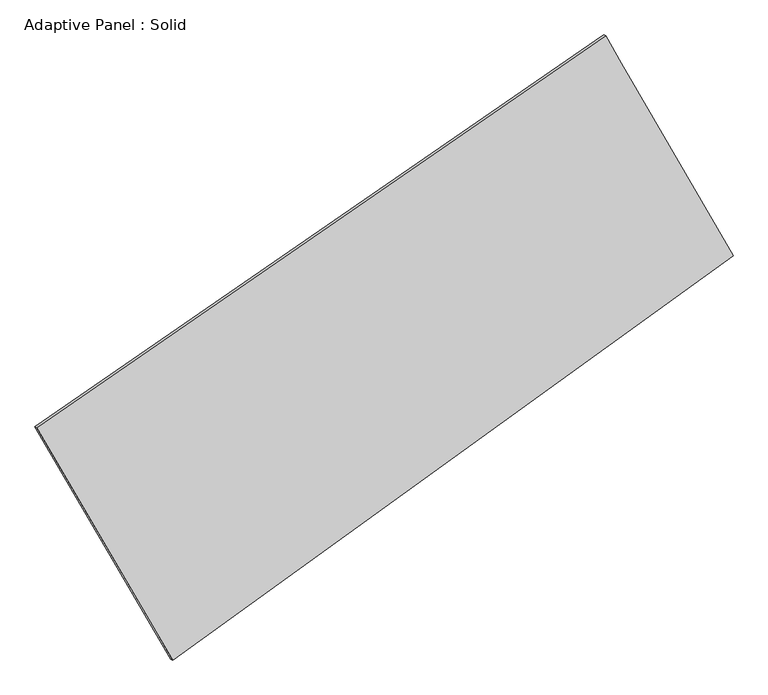
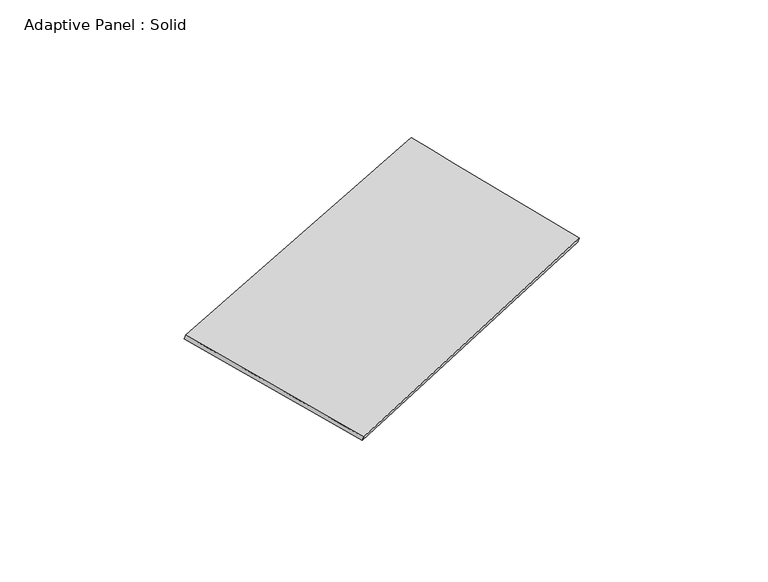
"""IFC4 building model written with IfcOpenShell, lengths in millimetres: plate geometry, Adaptive Panel : Solid."""

from ifc_helpers import new_model, si_unit, frame, origin, place, context, project, spatial, source, transform, mapped, element, save
from ifc_brep_helpers import plane_surface, spline_surface, advanced_brep


def adaptive_panel_solid_c119dc02(model_context):
    return source(origin(), model_context, "Body", "AdvancedBrep", [
        advanced_brep(
        [(1183.6687946, 2494.2272886, 667.0458015), (-3591.356901, -795.3727081, 1674.4025798), (-3576.6905452, -801.7528016, 1721.7754878), (1198.3351504, 2487.8471952, 714.4187095), (-2449.9076073, -2746.5816028, 1085.4404032), (-2435.2412514, -2752.9616963, 1132.8133112), (2254.3051356, 647.4784494, 58.2337358), (2268.9714914, 641.098356, 105.6066438)],
        [
            (0, 1),
            (1, 2),
            (2, 3),
            (3, 0),
            (1, 4),
            (4, 5),
            (5, 2),
            (4, 6),
            (6, 7),
            (7, 5),
            (6, 0),
            (3, 7),
        ],
        [
            plane_surface(frame((-1203.8440532, 849.4272903, 1170.7241907), z_axis=(-0.5077452032698914, 0.8189296146482505, 0.26748662547590096), x_axis=(-0.8113437822902879, -0.5589491394923076, 0.17116403360431517))),
            plane_surface(frame((-3020.6322541, -1770.9771555, 1379.9214915), z_axis=(-0.8236046426307384, -0.5369428744828791, 0.18266839403453866), x_axis=(0.48862950014346435, -0.8352698907364426, -0.25212183804398947))),
            plane_surface(frame((-97.8012359, -1049.5515767, 571.8370695), z_axis=(0.5236231160405781, -0.8077344587697084, -0.2708945855198325), x_axis=(0.7985361688290669, 0.576138848103901, -0.1743674705250558))),
            plane_surface(frame((1718.9869651, 1570.852869, 362.6397686), z_axis=(0.8232998016931355, 0.5374661799973669, -0.18250353939330044), x_axis=(-0.4823177732799019, 0.8319536278121432, 0.27426761884796247))),
            spline_surface(1, 1, [[(-3576.6905452, -801.7528016, 1721.7754878), (1198.3351504, 2487.8471952, 714.4187095)], [(-2435.2412514, -2752.9616963, 1132.8133112), (2268.9714914, 641.098356, 105.6066438)]], [2, 2], [2, 2], [0.0, 1.0], [0.0, 1.0]),
            spline_surface(1, 1, [[(2254.3051356, 647.4784494, 58.2337358), (1183.6687946, 2494.2272886, 667.0458015)], [(-2449.9076073, -2746.5816028, 1085.4404032), (-3591.356901, -795.3727081, 1674.4025798)]], [2, 2], [2, 2], [0.0, 1.0], [0.0, 1.0]),
        ],
        [
            (0, [[1, 2, 3, 4]]),
            (1, [[5, 6, 7, -2]]),
            (2, [[8, 9, 10, -6]]),
            (3, [[11, -4, 12, -9]]),
            (4, [[-3, -7, -10, -12]]),
            (5, [[-11, -8, -5, -1]]),
        ],
    ),
    ])


if __name__ == "__main__":
    model = new_model("IFC4")
    model_context = context("Model", 3, world=origin())
    ifc_project = project(units=[si_unit("LENGTHUNIT", "METRE", prefix="MILLI")], contexts=[model_context])
    site = spatial("IfcSite", under=ifc_project)
    building = spatial("IfcBuilding", under=site)
    placement = place(None, origin())
    adaptive_panel_solid_shape = adaptive_panel_solid_c119dc02(model_context)
    element("IfcPlate", 1, ObjectType="Adaptive Panel : Solid", at=placement, inside=building, context=model_context, shape_type="MappedRepresentation", body=[
        mapped(adaptive_panel_solid_shape, transform((0.0, 0.0, 0.0), x_axis=(1.0, 0.0, 0.0), y_axis=(0.0, 1.0, 0.0), z_axis=(0.0, 0.0, 1.0))),
    ])
    save(model, "model.ifc")
